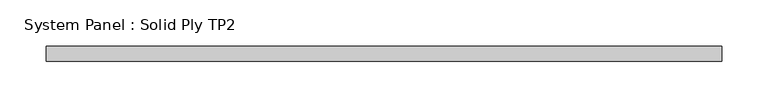
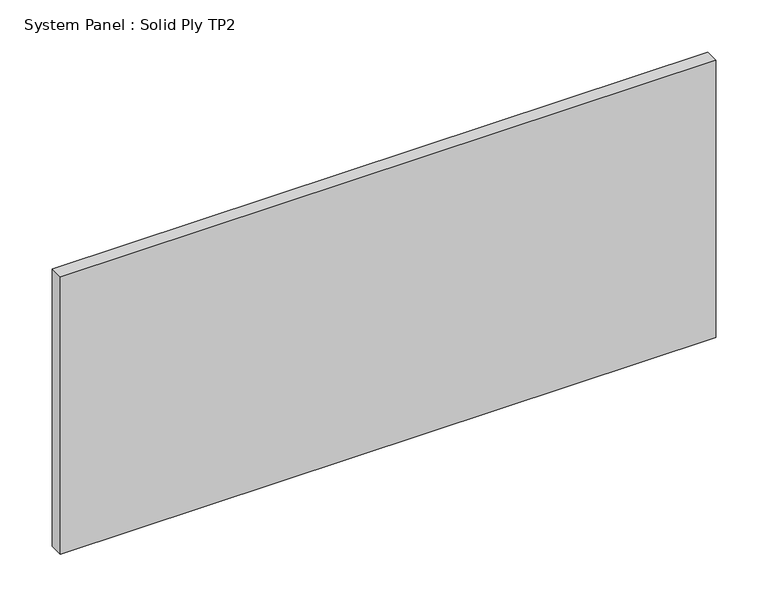
"""IFC4 building model written with IfcOpenShell, lengths in millimetres: plate geometry, System Panel : Solid Ply TP2."""

from ifc_helpers import new_model, si_unit, origin, origin_with_axes, place, context, project, spatial, polyline, outline, extrude, source, transform, mapped, element, save


def system_panel_solid_ply_tp2_361b1626(model_context):
    return source(origin(), model_context, "Body", "SweptSolid", [
        extrude(outline(polyline([(363.0000002, -23.0), (-363.0000002, -23.0), (-363.0000002, -7.0), (363.0000002, -7.0), (363.0000002, -23.0)])), origin_with_axes(), (0.0, 0.0, 1.0), 325.0),
    ])


if __name__ == "__main__":
    model = new_model("IFC4")
    model_context = context("Model", 3, world=origin())
    ifc_project = project(units=[si_unit("LENGTHUNIT", "METRE", prefix="MILLI")], contexts=[model_context])
    site = spatial("IfcSite", under=ifc_project)
    building = spatial("IfcBuilding", under=site)
    placement = place(None, origin())
    system_panel_solid_ply_tp2_shape = system_panel_solid_ply_tp2_361b1626(model_context)
    element("IfcPlate", 1, ObjectType="System Panel : Solid Ply TP2", at=placement, inside=building, context=model_context, shape_type="MappedRepresentation", body=[
        mapped(system_panel_solid_ply_tp2_shape, transform((0.0, 0.0, 0.0), x_axis=(1.0, 0.0, 0.0), y_axis=(0.0, 1.0, 0.0), z_axis=(0.0, 0.0, 1.0))),
    ])
    save(model, "model.ifc")
